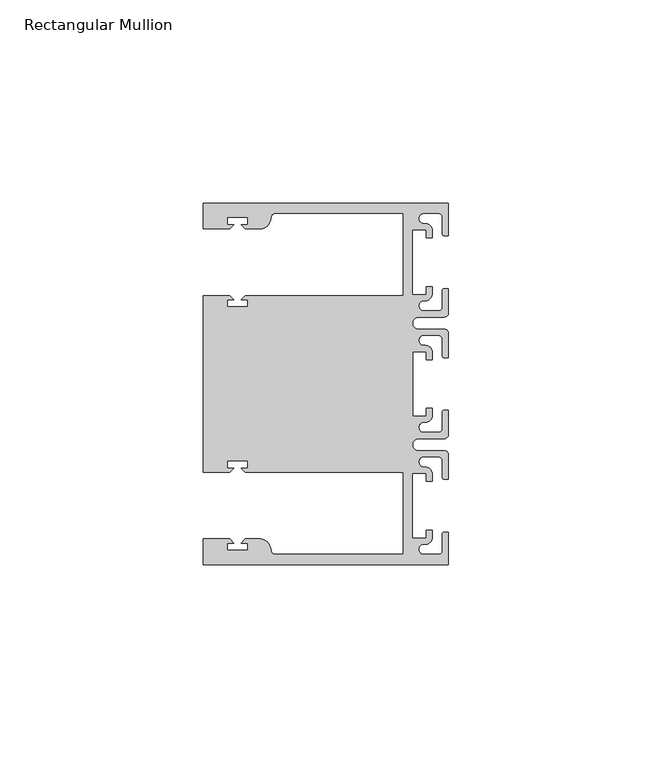
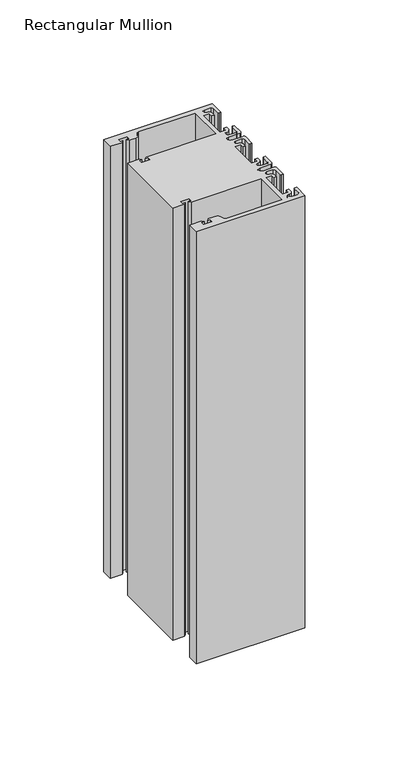
"""IFC4 building model written with IfcOpenShell, lengths in millimetres: member geometry, Rectangular Mullion."""

from ifc_helpers import new_model, si_unit, point, frame, frame_2d, origin, place, context, project, spatial, polyline, circle_curve, trimmed, segment, composite_curve, outline, extrude, source, transform, mapped, element, save


def rectangular_mullion_8844690e(model_context):
    return source(origin(), model_context, "Body", "SweptSolid", [
        extrude(outline(composite_curve([segment(polyline([(0.0, 44.45), (0.0, 36.4500318), (-1.0, 36.4500318)]), True, "CONTINUOUS"), segment(trimmed(circle_curve(frame_2d((-1.0, 36.9500318)), 0.5), [point((-1.0, 36.4500318))], [point((-1.5, 36.9500318))], False, "CARTESIAN"), True, "CONTINUOUS"), segment(polyline([(-1.5, 36.9500318), (-1.5, 40.95)]), True, "CONTINUOUS"), segment(trimmed(circle_curve(frame_2d((-2.5, 40.95)), 1.0), [point((-1.5, 40.95))], [point((-2.5, 41.95))], True, "CARTESIAN"), True, "CONTINUOUS"), segment(polyline([(-2.5, 41.95), (-6.0499986, 41.95)]), True, "CONTINUOUS"), segment(trimmed(circle_curve(frame_2d((-6.0499986, 40.6999986)), 1.2500014), [point((-6.0499986, 41.95))], [point((-5.9027291, 39.4587029))], True, "CARTESIAN"), True, "CONTINUOUS"), segment(trimmed(circle_curve(frame_2d((-5.7186029, 37.7499972)), 1.7185975), [point((-5.9027291, 39.4587029))], [point((-4.0000054, 37.7499972))], False, "CARTESIAN"), True, "CONTINUOUS"), segment(polyline([(-4.0000054, 37.7499972), (-4.0000054, 35.9500318), (-5.5, 35.9500318), (-5.5, 37.9499972), (-8.8585786, 37.9499972), (-8.8585786, 21.9499956), (-5.5, 21.9499956), (-5.5, 23.9499611), (-3.9999946, 23.9499611), (-3.9999946, 22.0272972)]), True, "CONTINUOUS"), segment(trimmed(circle_curve(frame_2d((-5.7543344, 22.1865598)), 1.761554), [point((-3.9999946, 22.0272972))], [point((-6.0499986, 20.4499956))], False, "CARTESIAN"), True, "CONTINUOUS"), segment(trimmed(circle_curve(frame_2d((-6.0499986, 19.1999942)), 1.2500014), [point((-6.0499986, 20.4499956))], [point((-6.0499986, 17.9499929))], True, "CARTESIAN"), True, "CONTINUOUS"), segment(polyline([(-6.0499986, 17.9499929), (-2.5, 17.9499929)]), True, "CONTINUOUS"), segment(trimmed(circle_curve(frame_2d((-2.5, 18.9499929)), 1.0), [point((-2.5, 17.9499929))], [point((-1.5, 18.9499929))], True, "CARTESIAN"), True, "CONTINUOUS"), segment(polyline([(-1.5, 18.9499929), (-1.5, 22.9499611)]), True, "CONTINUOUS"), segment(trimmed(circle_curve(frame_2d((-1.0, 22.9499611)), 0.5), [point((-1.5, 22.9499611))], [point((-1.0, 23.4499611))], False, "CARTESIAN"), True, "CONTINUOUS"), segment(polyline([(-1.0, 23.4499611), (0.0, 23.4499611), (0.0, 17.4499929)]), True, "CONTINUOUS"), segment(trimmed(circle_curve(frame_2d((-1.0, 17.4499929)), 1.0), [point((0.0, 17.4499929))], [point((-1.0, 16.4499929))], False, "CARTESIAN"), True, "CONTINUOUS"), segment(polyline([(-1.0, 16.4499929), (-7.3, 16.4499929)]), True, "CONTINUOUS"), segment(trimmed(circle_curve(frame_2d((-7.3, 14.9499929)), 1.5), [point((-7.3, 16.4499929))], [point((-7.3046244, 13.45))], True, "CARTESIAN"), True, "CONTINUOUS"), segment(polyline([(-7.3046244, 13.45), (-1.0, 13.45)]), True, "CONTINUOUS"), segment(trimmed(circle_curve(frame_2d((-1.0, 12.45)), 1.0), [point((-1.0, 13.45))], [point((0.0, 12.45))], False, "CARTESIAN"), True, "CONTINUOUS"), segment(polyline([(0.0, 12.45), (0.0, 6.4500354), (-0.9999964, 6.4500354)]), True, "CONTINUOUS"), segment(trimmed(circle_curve(frame_2d((-0.9999964, 6.9500354)), 0.5), [point((-0.9999964, 6.4500354))], [point((-1.4999964, 6.9500354))], False, "CARTESIAN"), True, "CONTINUOUS"), segment(polyline([(-1.4999964, 6.9500354), (-1.4999964, 10.95)]), True, "CONTINUOUS"), segment(trimmed(circle_curve(frame_2d((-2.4999964, 10.95)), 1.0), [point((-1.4999964, 10.95))], [point((-2.4999964, 11.95))], True, "CARTESIAN"), True, "CONTINUOUS"), segment(polyline([(-2.4999964, 11.95), (-6.0499986, 11.95)]), True, "CONTINUOUS"), segment(trimmed(circle_curve(frame_2d((-6.0499986, 10.6999986)), 1.2500014), [point((-6.0499986, 11.95))], [point((-6.0499986, 9.4499972))], True, "CARTESIAN"), True, "CONTINUOUS"), segment(trimmed(circle_curve(frame_2d((-5.7298824, 7.7499972)), 1.729877), [point((-6.0499986, 9.4499972))], [point((-4.0000054, 7.7499972))], False, "CARTESIAN"), True, "CONTINUOUS"), segment(polyline([(-4.0000054, 7.7499972), (-4.0000054, 5.9500318), (-5.5, 5.9500318), (-5.5, 7.9499972), (-8.8, 7.9499972), (-8.8, -7.9499972), (-5.5, -7.9499972), (-5.5, -5.9500318), (-4.0000054, -5.9500318), (-4.0000054, -7.7499972)]), True, "CONTINUOUS"), segment(trimmed(circle_curve(frame_2d((-5.7298824, -7.7499972)), 1.729877), [point((-4.0000054, -7.7499972))], [point((-6.0499986, -9.4499972))], False, "CARTESIAN"), True, "CONTINUOUS"), segment(trimmed(circle_curve(frame_2d((-6.0499986, -10.6999986)), 1.2500014), [point((-6.0499986, -9.4499972))], [point((-6.0499986, -11.95))], True, "CARTESIAN"), True, "CONTINUOUS"), segment(polyline([(-6.0499986, -11.95), (-2.4999964, -11.95)]), True, "CONTINUOUS"), segment(trimmed(circle_curve(frame_2d((-2.4999964, -10.95)), 1.0), [point((-2.4999964, -11.95))], [point((-1.4999964, -10.95))], True, "CARTESIAN"), True, "CONTINUOUS"), segment(polyline([(-1.4999964, -10.95), (-1.4999964, -6.9500354)]), True, "CONTINUOUS"), segment(trimmed(circle_curve(frame_2d((-0.9999964, -6.9500354)), 0.5), [point((-1.4999964, -6.9500354))], [point((-0.9999964, -6.4500354))], False, "CARTESIAN"), True, "CONTINUOUS"), segment(polyline([(-0.9999964, -6.4500354), (0.0, -6.4500354), (0.0, -12.45)]), True, "CONTINUOUS"), segment(trimmed(circle_curve(frame_2d((-1.0, -12.45)), 1.0), [point((0.0, -12.45))], [point((-1.0, -13.45))], False, "CARTESIAN"), True, "CONTINUOUS"), segment(polyline([(-1.0, -13.45), (-7.3046244, -13.45)]), True, "CONTINUOUS"), segment(trimmed(circle_curve(frame_2d((-7.3, -14.9499929)), 1.5), [point((-7.3046244, -13.45))], [point((-7.3, -16.4499929))], True, "CARTESIAN"), True, "CONTINUOUS"), segment(polyline([(-7.3, -16.4499929), (-1.0, -16.4499929)]), True, "CONTINUOUS"), segment(trimmed(circle_curve(frame_2d((-1.0, -17.4499929)), 1.0), [point((-1.0, -16.4499929))], [point((0.0, -17.4499929))], False, "CARTESIAN"), True, "CONTINUOUS"), segment(polyline([(0.0, -17.4499929), (0.0, -23.4499611), (-1.0, -23.4499611)]), True, "CONTINUOUS"), segment(trimmed(circle_curve(frame_2d((-1.0, -22.9499611)), 0.5), [point((-1.0, -23.4499611))], [point((-1.5, -22.9499611))], False, "CARTESIAN"), True, "CONTINUOUS"), segment(polyline([(-1.5, -22.9499611), (-1.5, -18.9499929)]), True, "CONTINUOUS"), segment(trimmed(circle_curve(frame_2d((-2.5, -18.9499929)), 1.0), [point((-1.5, -18.9499929))], [point((-2.5, -17.9499929))], True, "CARTESIAN"), True, "CONTINUOUS"), segment(polyline([(-2.5, -17.9499929), (-6.0499986, -17.9499929)]), True, "CONTINUOUS"), segment(trimmed(circle_curve(frame_2d((-6.0499986, -19.1999942)), 1.2500014), [point((-6.0499986, -17.9499929))], [point((-6.0499986, -20.4499956))], True, "CARTESIAN"), True, "CONTINUOUS"), segment(trimmed(circle_curve(frame_2d((-5.7543344, -22.1865598)), 1.761554), [point((-6.0499986, -20.4499956))], [point((-3.9999946, -22.0272972))], False, "CARTESIAN"), True, "CONTINUOUS"), segment(polyline([(-3.9999946, -22.0272972), (-3.9999946, -23.9499611), (-5.5, -23.9499611), (-5.5, -21.9499956), (-8.8585786, -21.9499956), (-8.8585786, -37.9499972), (-5.5, -37.9499972), (-5.5, -35.9500318), (-4.0000054, -35.9500318), (-4.0000054, -37.7499972)]), True, "CONTINUOUS"), segment(trimmed(circle_curve(frame_2d((-5.7186029, -37.7499972)), 1.7185975), [point((-4.0000054, -37.7499972))], [point((-5.9027291, -39.4587029))], False, "CARTESIAN"), True, "CONTINUOUS"), segment(trimmed(circle_curve(frame_2d((-6.0499986, -40.6999986)), 1.2500014), [point((-5.9027291, -39.4587029))], [point((-6.0499986, -41.95))], True, "CARTESIAN"), True, "CONTINUOUS"), segment(polyline([(-6.0499986, -41.95), (-2.5, -41.95)]), True, "CONTINUOUS"), segment(trimmed(circle_curve(frame_2d((-2.5, -40.95)), 1.0), [point((-2.5, -41.95))], [point((-1.5, -40.95))], True, "CARTESIAN"), True, "CONTINUOUS"), segment(polyline([(-1.5, -40.95), (-1.5, -36.9500318)]), True, "CONTINUOUS"), segment(trimmed(circle_curve(frame_2d((-1.0, -36.9500318)), 0.5), [point((-1.5, -36.9500318))], [point((-1.0, -36.4500318))], False, "CARTESIAN"), True, "CONTINUOUS"), segment(polyline([(-1.0, -36.4500318), (0.0, -36.4500318), (0.0, -44.45), (-60.325, -44.45), (-60.325, -38.1499897), (-53.8507531, -38.1499897), (-52.8507405, -39.1500023), (-54.4249778, -39.1500023), (-54.4249778, -40.9498819), (-49.4249831, -40.9498819), (-49.4249831, -39.1500023), (-50.999256, -39.1500023), (-49.9992503, -38.1499966), (-46.3137853, -38.1499966)]), True, "CONTINUOUS"), segment(trimmed(circle_curve(frame_2d((-46.3137853, -40.6499966)), 2.5), [point((-46.3137853, -38.1499966))], [point((-43.8989707, -40.002949))], False, "CARTESIAN"), True, "CONTINUOUS"), segment(polyline([(-43.8989707, -40.002949), (-43.5758588, -41.2088192)]), True, "CONTINUOUS"), segment(trimmed(circle_curve(frame_2d((-42.6099329, -40.9500001)), 1.0), [point((-43.5758588, -41.2088192))], [point((-42.6099329, -41.9500001))], True, "CARTESIAN"), True, "CONTINUOUS"), segment(polyline([(-42.6099329, -41.9500001), (-11.1125, -41.95), (-11.1125, -21.7499959), (-49.9992434, -21.7499959), (-50.999256, -20.7499834), (-49.4250186, -20.7499834), (-49.4250186, -18.949936), (-54.4250134, -18.949936), (-54.4250134, -20.7499834), (-52.8507405, -20.7499834), (-53.8507562, -21.749999), (-60.325, -21.749999), (-60.325, 21.749999), (-53.8507562, 21.749999), (-52.8507405, 20.7499834), (-54.4250134, 20.7499834), (-54.4250134, 18.949936), (-49.4250186, 18.949936), (-49.4250186, 20.7499834), (-50.999256, 20.7499834), (-49.9992434, 21.7499959), (-11.1124977, 21.7499959), (-11.1124977, 41.95), (-42.6099329, 41.95)]), True, "CONTINUOUS"), segment(trimmed(circle_curve(frame_2d((-42.6099329, 40.9500001)), 1.0), [point((-42.6099329, 41.95))], [point((-43.5758588, 41.2088192))], True, "CARTESIAN"), True, "CONTINUOUS"), segment(polyline([(-43.5758588, 41.2088192), (-43.8989707, 40.002949)]), True, "CONTINUOUS"), segment(trimmed(circle_curve(frame_2d((-46.3137853, 40.6499966)), 2.5), [point((-43.8989707, 40.002949))], [point((-46.3137853, 38.1499966))], False, "CARTESIAN"), True, "CONTINUOUS"), segment(polyline([(-46.3137853, 38.1499966), (-49.9992503, 38.1499966), (-50.999256, 39.1500023), (-49.4249831, 39.1500023), (-49.4249831, 40.9498819), (-54.4249778, 40.9498819), (-54.4249778, 39.1500023), (-52.8507405, 39.1500023), (-53.8507531, 38.1499897), (-60.3249977, 38.1499897), (-60.3249977, 44.45), (0.0, 44.45)]), True, "CONTINUOUS")], self_intersect=False)), frame((0.0, 0.0, -254.0), z_axis=(0.0, 0.0, 1.0), x_axis=(1.0, 0.0, 0.0)), (0.0, 0.0, 1.0), 254.0),
    ])


if __name__ == "__main__":
    model = new_model("IFC4")
    model_context = context("Model", 3, world=origin())
    ifc_project = project(units=[si_unit("LENGTHUNIT", "METRE", prefix="MILLI")], contexts=[model_context])
    site = spatial("IfcSite", under=ifc_project)
    building = spatial("IfcBuilding", under=site)
    placement = place(None, origin())
    rectangular_mullion_shape = rectangular_mullion_8844690e(model_context)
    element("IfcMember", 1, ObjectType="Rectangular Mullion", at=placement, inside=building, context=model_context, shape_type="MappedRepresentation", body=[
        mapped(rectangular_mullion_shape, transform((0.0, 0.0, 0.0), x_axis=(1.0, 0.0, 0.0), y_axis=(0.0, 1.0, 0.0), z_axis=(0.0, 0.0, 1.0))),
    ])
    save(model, "model.ifc")
